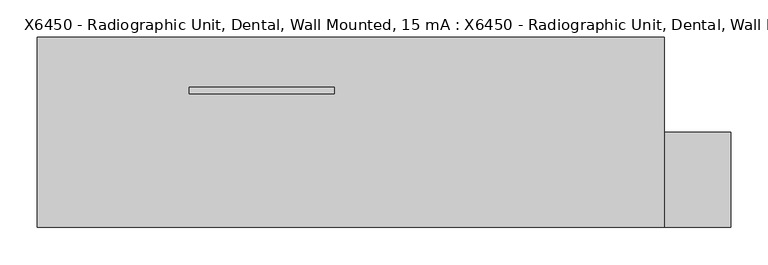
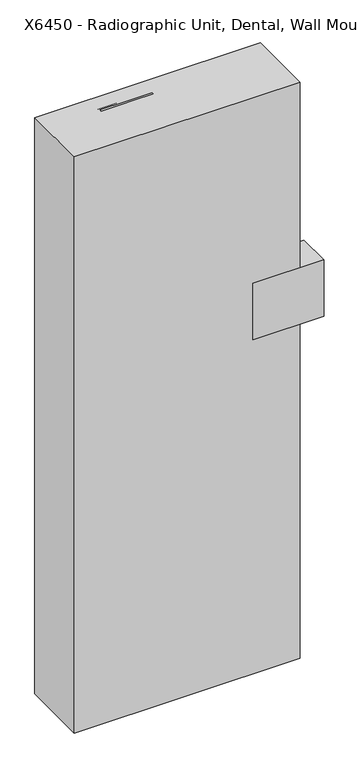
"""IFC4 building model written with IfcOpenShell, lengths in millimetres: proxy geometry, X6450 - Radiographic Unit, Dental, Wall Mounted, 15 mA : X6450 - Radiographic Unit, Dental, Wall Mounted, 15 mA."""

from ifc_helpers import new_model, si_unit, point, frame, frame_2d, origin, origin_with_axes, place, context, project, spatial, polyline, circle_curve, trimmed, segment, composite_curve, outline, extrude, source, transform, mapped, element, save
from ifc_brep_helpers import plane_surface, revolved_surface, advanced_brep


def x6450_radiographic_unit_dental_wall_mounted_15_ma_x6450_eac9b423(model_context):
    return source(origin(), model_context, "Body", "SolidModel", [
        extrude(outline(polyline([(406.4, 276.7259578), (406.4, 119.0625), (355.6, 119.0625), (355.6, 276.7259578), (406.4, 276.7259578)])), frame((0.0, 0.0, 1531.5404413), z_axis=(0.0, 0.0, 1.0), x_axis=(1.0, 0.0, 0.0)), (0.0, 0.0, 1.0), 50.8),
        extrude(outline(polyline([(508.0, 188.9125), (508.0, 61.9125), (245.1097221, 61.9125), (245.1097221, 188.9125), (508.0, 188.9125)])), frame((0.0, 0.0, 1311.3705468), z_axis=(0.0, 0.0, 1.0), x_axis=(1.0, 0.0, 0.0)), (0.0, 0.0, 1.0), 220.1698945),
        extrude(outline(polyline([(406.4, 227.5134578), (-94.0053737, 227.5134578), (-94.0053737, 291.0134578), (406.4, 291.0134578), (406.4, 227.5134578)])), frame((0.0, 0.0, 1582.3404413), z_axis=(0.0, 0.0, 1.0), x_axis=(1.0, 0.0, 0.0)), (0.0, 0.0, 1.0), 50.8),
        extrude(outline(composite_curve([segment(trimmed(circle_curve(frame_2d((-62.2553737, 244.9759578)), 31.75), [point((-94.0053737, 244.9759578))], [point((-30.5053737, 244.9759578))], False, "CARTESIAN"), True, "CONTINUOUS"), segment(trimmed(circle_curve(frame_2d((-62.2553737, 244.9759578)), 31.75), [point((-30.5053737, 244.9759578))], [point((-94.0053737, 244.9759578))], False, "CARTESIAN"), True, "CONTINUOUS")], self_intersect=False)), frame((0.0, 0.0, 1633.1404413), z_axis=(0.0, 0.0, 1.0), x_axis=(1.0, 0.0, 0.0)), (0.0, 0.0, 1.0), 25.4),
        extrude(outline(composite_curve([segment(trimmed(circle_curve(frame_2d((244.9759578, 2228.85)), 31.75), [point((213.2259578, 2228.85))], [point((276.7259578, 2228.85))], False, "CARTESIAN"), True, "CONTINUOUS"), segment(trimmed(circle_curve(frame_2d((244.9759578, 2228.85)), 31.75), [point((276.7259578, 2228.85))], [point((213.2259578, 2228.85))], False, "CARTESIAN"), True, "CONTINUOUS")], self_intersect=False)), frame((-215.7119169, 0.0, 0.0), z_axis=(1.0, 0.0, 0.0), x_axis=(0.0, 1.0, 0.0)), (0.0, 0.0, 1.0), 193.3136845),
        extrude(outline(composite_curve([segment(trimmed(circle_curve(frame_2d((244.9759578, 1531.5404413)), 12.7), [point((232.2759578, 1531.5404413))], [point((257.6759578, 1531.5404413))], False, "CARTESIAN"), True, "CONTINUOUS"), segment(trimmed(circle_curve(frame_2d((244.9759578, 1531.5404413)), 12.7), [point((257.6759578, 1531.5404413))], [point((232.2759578, 1531.5404413))], False, "CARTESIAN"), True, "CONTINUOUS")], self_intersect=False)), frame((-232.7161203, 0.0, 0.0), z_axis=(1.0, 0.0, 0.0), x_axis=(0.0, 1.0, 0.0)), (0.0, 0.0, 1.0), 67.6161203),
        extrude(outline(composite_curve([segment(trimmed(circle_curve(frame_2d((-62.2553737, 244.9759578)), 25.4), [point((-87.6553737, 244.9759578))], [point((-36.8553737, 244.9759578))], False, "CARTESIAN"), True, "CONTINUOUS"), segment(trimmed(circle_curve(frame_2d((-62.2553737, 244.9759578)), 25.4), [point((-36.8553737, 244.9759578))], [point((-87.6553737, 244.9759578))], False, "CARTESIAN"), True, "CONTINUOUS")], self_intersect=False)), frame((0.0, 0.0, 1658.5404413), z_axis=(0.0, 0.0, 1.0), x_axis=(1.0, 0.0, 0.0)), (0.0, 0.0, 1.0), 552.45),
        extrude(outline(composite_curve([segment(trimmed(circle_curve(frame_2d((-178.1428737, 244.9759578)), 25.4), [point((-203.5428737, 244.9759578))], [point((-152.7428737, 244.9759578))], False, "CARTESIAN"), True, "CONTINUOUS"), segment(trimmed(circle_curve(frame_2d((-178.1428737, 244.9759578)), 25.4), [point((-152.7428737, 244.9759578))], [point((-203.5428737, 244.9759578))], False, "CARTESIAN"), True, "CONTINUOUS")], self_intersect=False)), frame((0.0, 0.0, 1607.7404413), z_axis=(0.0, 0.0, 1.0), x_axis=(1.0, 0.0, 0.0)), (0.0, 0.0, 1.0), 603.25),
        advanced_brep(
        [(-203.5428737, 244.9759578, 1607.7404413), (-152.7428737, 244.9759578, 1607.7404413), (-190.8428737, 244.9759578, 1531.5404413), (-165.4428737, 244.9759578, 1531.5404413)],
        [
            (0, 1, circle_curve(frame((-178.1428737, 244.9759578, 1607.7404413), z_axis=(0.0, 0.0, 1.0), x_axis=(-1.0, 0.0, 0.0)), 25.4)),
            (1, 0, circle_curve(frame((-178.1428737, 244.9759578, 1607.7404413), z_axis=(0.0, 0.0, 1.0), x_axis=(1.0, 0.0, 0.0)), 25.4)),
            (2, 3, circle_curve(frame((-178.1428737, 244.9759578, 1531.5404413), z_axis=(0.0, 0.0, -1.0), x_axis=(1.0, 0.0, 0.0)), 12.7)),
            (3, 2, circle_curve(frame((-178.1428737, 244.9759578, 1531.5404413), z_axis=(0.0, 0.0, -1.0), x_axis=(-1.0, 0.0, 0.0)), 12.7)),
            (3, 1),
            (0, 2),
        ],
        [
            plane_surface(frame((-178.1428737, 244.9759578, 1607.7404413), z_axis=(0.0, 0.0, 1.0), x_axis=(0.0, -1.0, 0.0))),
            plane_surface(frame((-178.1428737, 244.9759578, 1531.5404413), z_axis=(0.0, 0.0, -1.0), x_axis=(0.0, -1.0, 0.0))),
            revolved_surface(polyline([(-165.44287369999998, 244.9759578, 1531.5404413), (-152.7428737, 244.9759578, 1607.7404413)]), (-178.1428737, 244.9759578, 1455.3404413), (0.0, 0.0, 1.0)),
            revolved_surface(polyline([(-190.8428737, 244.9759578, 1531.5404413), (-203.5428737, 244.9759578, 1607.7404413)]), (-178.1428737, 244.9759578, 1455.3404413), (0.0, 0.0, 1.0)),
        ],
        [
            (0, [[1, 2]]),
            (1, [[3, 4]]),
            (2, [[-4, 5, -1, 6]]),
            (3, [[-3, -6, -2, -5]]),
        ],
    ),
        extrude(outline(composite_curve([segment(trimmed(circle_curve(frame_2d((-308.9161203, 239.7125)), 31.75), [point((-340.6661203, 239.7125))], [point((-277.1661203, 239.7125))], False, "CARTESIAN"), True, "CONTINUOUS"), segment(trimmed(circle_curve(frame_2d((-308.9161203, 239.7125)), 31.75), [point((-277.1661203, 239.7125))], [point((-340.6661203, 239.7125))], False, "CARTESIAN"), True, "CONTINUOUS")], self_intersect=False)), frame((0.0, 0.0, 1357.8409621), z_axis=(0.0, 0.0, 1.0), x_axis=(1.0, 0.0, 0.0)), (0.0, 0.0, 1.0), 63.5),
        extrude(outline(composite_curve([segment(trimmed(circle_curve(frame_2d((1599.1409621, -359.7161203)), 25.4), [point((1624.5409621, -359.7161203))], [point((1599.1409621, -385.1161203))], False, "CARTESIAN"), True, "CONTINUOUS"), segment(polyline([(1599.1409621, -385.1161203), (1446.7409621, -385.1161203)]), True, "CONTINUOUS"), segment(trimmed(circle_curve(frame_2d((1446.7409621, -359.7161203)), 25.4), [point((1446.7409621, -385.1161203))], [point((1421.3409621, -359.7161203))], False, "CARTESIAN"), True, "CONTINUOUS"), segment(polyline([(1421.3409621, -359.7161203), (1421.3409621, -258.1161203)]), True, "CONTINUOUS"), segment(trimmed(circle_curve(frame_2d((1446.7409621, -258.1161203)), 25.4), [point((1421.3409621, -258.1161203))], [point((1446.7409621, -232.7161203))], False, "CARTESIAN"), True, "CONTINUOUS"), segment(polyline([(1446.7409621, -232.7161203), (1599.1409621, -232.7161203)]), True, "CONTINUOUS"), segment(trimmed(circle_curve(frame_2d((1599.1409621, -258.1161203)), 25.4), [point((1599.1409621, -232.7161203))], [point((1624.5409621, -258.1161203))], False, "CARTESIAN"), True, "CONTINUOUS"), segment(polyline([(1624.5409621, -258.1161203), (1624.5409621, -359.7161203)]), True, "CONTINUOUS")], self_intersect=False)), frame((0.0, 203.2, 0.0), z_axis=(0.0, 1.0, 0.0), x_axis=(0.0, 0.0, 1.0)), (0.0, 0.0, 1.0), 101.6),
        extrude(outline(polyline([(419.1, 315.9125), (419.1, 61.9125), (-419.1, 61.9125), (-419.1, 315.9125), (419.1, 315.9125)])), origin_with_axes(), (0.0, 0.0, 1.0), 2260.6),
    ])


if __name__ == "__main__":
    model = new_model("IFC4")
    model_context = context("Model", 3, world=origin())
    ifc_project = project(units=[si_unit("LENGTHUNIT", "METRE", prefix="MILLI")], contexts=[model_context])
    site = spatial("IfcSite", under=ifc_project)
    building = spatial("IfcBuilding", under=site)
    placement = place(None, origin())
    x6450_radiographic_unit_dental_wall_mounted_15_ma_x6450_shape = x6450_radiographic_unit_dental_wall_mounted_15_ma_x6450_eac9b423(model_context)
    element("IfcBuildingElementProxy", 1, Name="X6450 - Radiographic Unit, Dental, Wall Mounted, 15 mA : X6450 - Radiographic Unit, Dental, Wall Mounted, 15 mA", ObjectType="X6450 - Radiographic Unit, Dental, Wall Mounted, 15 mA : X6450 - Radiographic Unit, Dental, Wall Mounted, 15 mA", at=placement, inside=building, context=model_context, shape_type="MappedRepresentation", body=[
        mapped(x6450_radiographic_unit_dental_wall_mounted_15_ma_x6450_shape, transform((0.0, 0.0, 0.0), x_axis=(1.0, 0.0, 0.0), y_axis=(0.0, 1.0, 0.0), z_axis=(0.0, 0.0, 1.0))),
    ])
    save(model, "model.ifc")
